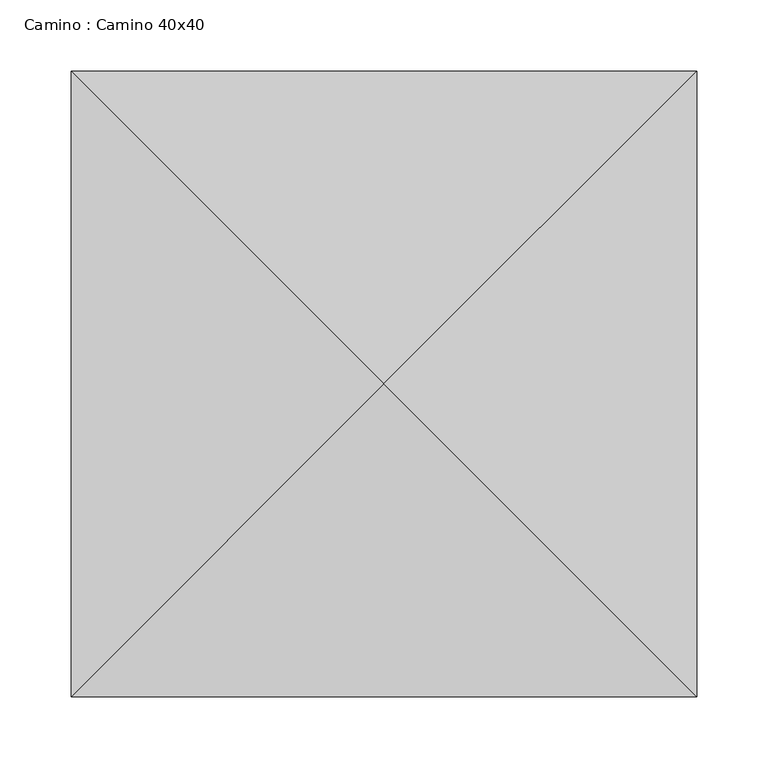
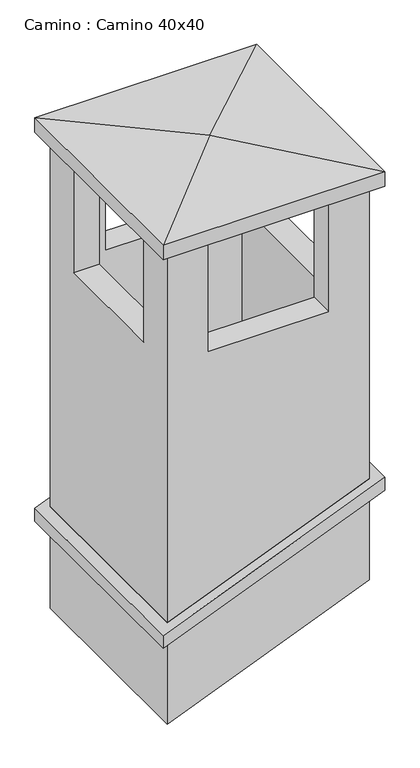
"""IFC4 building model written with IfcOpenShell, lengths in millimetres: proxy geometry, Camino : Camino 40x40."""

import ifcopenshell
import ifcopenshell.guid

model = None  # the IFC model being written
_history = None  # IfcOwnerHistory: only IFC2X3 demands one
_inside = {}  # id of a spatial element -> (the spatial element, [elements in it])
_under = {}  # id of a project, library or spatial element -> (it, [spatial elements below it])
_declared = {}  # id of a project -> (the project, [libraries it declares])
_typed = {}  # id of a type object -> (the type object, [elements of that type])
_made_of = {}  # id of a material, layer set ... -> (it, [elements and type objects made of it])


def new_model(schema):
    """Start an empty IFC model of exactly this schema.

    Asked for "IFC4X3", IfcOpenShell would pick the latest addendum, in which some entities
    have other attributes; the version numbers below select the first issue.
    IFC2X3 requires an IfcOwnerHistory on every rooted entity: one is made here for all.
    """
    global model, _history
    if schema == "IFC4X3":
        model = ifcopenshell.file(schema_version=(4, 3, 0, 0))
    else:
        model = ifcopenshell.file(schema=schema)
    _inside.clear()
    _under.clear()
    _declared.clear()
    _typed.clear()
    _made_of.clear()
    _history = None
    if model.schema == "IFC2X3":
        org = make("IfcOrganization", Name="unknown")
        user = make(
            "IfcPersonAndOrganization",
            ThePerson=make("IfcPerson", FamilyName="unknown"),
            TheOrganization=org,
        )
        app = make(
            "IfcApplication",
            ApplicationDeveloper=org,
            Version="unknown",
            ApplicationFullName="unknown",
            ApplicationIdentifier="unknown",
        )
        _history = make(
            "IfcOwnerHistory",
            OwningUser=user,
            OwningApplication=app,
            ChangeAction="ADDED",
            CreationDate=0,
        )
    return model


def make(cls, **values):
    """One entity of the class cls with the attributes given. An attribute that is None is left unset."""
    return model.create_entity(
        cls, **{name: value for name, value in values.items() if value is not None}
    )


def rooted(cls, **values):
    """An entity with a GlobalId (a new one), such as an element, a storey or a relation."""
    return make(cls, GlobalId=ifcopenshell.guid.new(), OwnerHistory=_history, **values)


def si_unit(unit_type, name, prefix=None):
    """IfcSIUnit, for example si_unit("LENGTHUNIT", "METRE", prefix="MILLI")."""
    return make("IfcSIUnit", UnitType=unit_type, Prefix=prefix, Name=name)


def assignment(units):
    """IfcUnitAssignment: the units of a project."""
    return None if units is None else make("IfcUnitAssignment", Units=units)


def point(xyz):
    """IfcCartesianPoint."""
    return None if xyz is None else make("IfcCartesianPoint", Coordinates=xyz)


def direction(xyz):
    """IfcDirection."""
    return None if xyz is None else make("IfcDirection", DirectionRatios=xyz)


def frame(location, z_axis=None, x_axis=None):
    """IfcAxis2Placement3D, a coordinate frame: its origin and axes. An axis left out is left unset."""
    return make(
        "IfcAxis2Placement3D",
        Location=point(location),
        Axis=direction(z_axis),
        RefDirection=direction(x_axis),
    )


def origin():
    """The frame at (0, 0, 0) with its axes left unset."""
    return frame((0.0, 0.0, 0.0))


def place(relative_to, where):
    """IfcLocalPlacement: puts the frame where relative to a parent placement (None: the world)."""
    return make(
        "IfcLocalPlacement", PlacementRelTo=relative_to, RelativePlacement=where
    )


def context(
    kind, dimensions, precision=None, world=None, true_north=None, identifier=None
):
    """IfcGeometricRepresentationContext, for example the 3D "Model" context."""
    return make(
        "IfcGeometricRepresentationContext",
        ContextIdentifier=identifier,
        ContextType=kind,
        CoordinateSpaceDimension=dimensions,
        Precision=precision,
        WorldCoordinateSystem=world,
        TrueNorth=true_north,
    )


def project(units=None, contexts=None):
    """IfcProject with its units and contexts."""
    return rooted(
        "IfcProject",
        Name="project",
        RepresentationContexts=contexts,
        UnitsInContext=assignment(units),
    )


def spatial(cls, under=None, at=None, **own):
    """A site, building, storey or space (cls), placed at a placement, below another one or the project."""
    s = rooted(cls, ObjectPlacement=at, **own)
    if under is not None:
        _under.setdefault(under.id(), (under, []))[1].append(s)
    return s


def faces_of(points, faces, orient=None, outer=None):
    """IfcFace entities. A face is a list of loops; a loop is a list of indices into points, from 0.

    orient and outer hold one flag for each loop. By default every Orientation is true, the
    first loop of a face is its IfcFaceOuterBound and the others are IfcFaceBound.
    """
    made = []
    for i, loops in enumerate(faces):
        bounds = []
        for j, loop in enumerate(loops):
            is_outer = j == 0 if outer is None else outer[i][j]
            bounds.append(
                make(
                    "IfcFaceOuterBound" if is_outer else "IfcFaceBound",
                    Bound=make("IfcPolyLoop", Polygon=[points[k] for k in loop]),
                    Orientation=True if orient is None else orient[i][j],
                )
            )
        made.append(make("IfcFace", Bounds=bounds))
    return made


def faceted_brep(points, faces, orient=None, outer=None, voids=None):
    """IfcFacetedBrep: a solid bounded by flat faces; with voids (closed shells), ...WithVoids."""
    shared = [point(p) for p in points]
    hull = make("IfcClosedShell", CfsFaces=faces_of(shared, faces, orient, outer))
    if voids is None:
        return make("IfcFacetedBrep", Outer=hull)
    return make(
        "IfcFacetedBrepWithVoids",
        Outer=hull,
        Voids=[
            make(cls, CfsFaces=faces_of(shared, fs, o, b)) for cls, fs, o, b in voids
        ],
    )


def shape(context_of_items, identifier, shape_type, items):
    """IfcShapeRepresentation: the items that make up one representation, for example the "Body"."""
    return make(
        "IfcShapeRepresentation",
        ContextOfItems=context_of_items,
        RepresentationIdentifier=identifier,
        RepresentationType=shape_type,
        Items=items,
    )


def source(mapping_origin, context_of_items, identifier, shape_type, items):
    """IfcRepresentationMap: a shape defined once, which mapped items show again and again."""
    return make(
        "IfcRepresentationMap",
        MappingOrigin=mapping_origin,
        MappedRepresentation=shape(context_of_items, identifier, shape_type, items),
    )


def transform(
    local_origin,
    x_axis=None,
    y_axis=None,
    z_axis=None,
    scale=None,
    scale2=None,
    scale3=None,
    uniform=True,
):
    """IfcCartesianTransformationOperator3D, or its non-uniform kind. x_axis, y_axis, z_axis: its Axis1, 2, 3."""
    if uniform:
        return make(
            "IfcCartesianTransformationOperator3D",
            Axis1=direction(x_axis),
            Axis2=direction(y_axis),
            LocalOrigin=point(local_origin),
            Scale=scale,
            Axis3=direction(z_axis),
        )
    return make(
        "IfcCartesianTransformationOperator3DnonUniform",
        Axis1=direction(x_axis),
        Axis2=direction(y_axis),
        LocalOrigin=point(local_origin),
        Scale=scale,
        Axis3=direction(z_axis),
        Scale2=scale2,
        Scale3=scale3,
    )


def mapped(mapping_source, mapping_target):
    """IfcMappedItem: shows the shape of a source again, moved by a transform."""
    return make(
        "IfcMappedItem", MappingSource=mapping_source, MappingTarget=mapping_target
    )


def made_of(thing, what):
    """Note that an element or type object is made of a material, layer set ...; save() writes the relation."""
    if what is not None:
        _made_of.setdefault(what.id(), (what, []))[1].append(thing)
    return thing


def element(
    cls,
    number,
    at=None,
    inside=None,
    cuts=None,
    type_object=None,
    material=None,
    context=None,
    identifier="Body",
    shape_type=None,
    held_by="IfcProductDefinitionShape",
    body=None,
    shapes=None,
    **own,
):
    """One element of the class cls, such as IfcWall. Its Tag is "e" and its number.

    at: its placement. inside: the storey or other place that contains it. cuts: it is an
    opening in that element (IfcRelVoidsElement). A single representation is given by context,
    identifier, shape_type and body (its items); several are given by shapes. held_by: the class
    of the entity that holds the representations. save() writes the other relations.
    """
    e = rooted(cls, Tag="e%d" % number, ObjectPlacement=at, **own)
    if body is not None:
        shapes = [shape(context, identifier, shape_type, body)]
    if shapes is not None:
        e.Representation = make(held_by, Representations=shapes)
    if inside is not None:
        _inside.setdefault(inside.id(), (inside, []))[1].append(e)
    if cuts is not None:
        rooted(
            "IfcRelVoidsElement", RelatingBuildingElement=cuts, RelatedOpeningElement=e
        )
    if type_object is not None:
        _typed.setdefault(type_object.id(), (type_object, []))[1].append(e)
    return made_of(e, material)


def aggregate(whole, parts):
    """IfcRelAggregates: a whole, such as a stair, and the parts it consists of."""
    return rooted("IfcRelAggregates", RelatingObject=whole, RelatedObjects=parts)


def save(model, path):
    """Write the relations noted so far, then the file.

    IfcRelAggregates (storeys below a building ...), IfcRelContainedInSpatialStructure (elements
    in a storey), IfcRelDefinesByType, IfcRelAssociatesMaterial and IfcRelDeclares: one each for
    every whole, place, type object, material and project.
    """
    for whole, parts in _under.values():
        aggregate(whole, parts)
    for where, things in _inside.values():
        rooted(
            "IfcRelContainedInSpatialStructure",
            RelatedElements=things,
            RelatingStructure=where,
        )
    for kind, things in _typed.values():
        rooted("IfcRelDefinesByType", RelatedObjects=things, RelatingType=kind)
    for what, things in _made_of.values():
        rooted("IfcRelAssociatesMaterial", RelatedObjects=things, RelatingMaterial=what)
    for by, libraries in _declared.values():
        rooted("IfcRelDeclares", RelatingContext=by, RelatedDefinitions=libraries)
    model.write(path)


def camino_camino_40x40_5ac8ecee(model_context):
    return source(origin(), model_context, "Body", "Brep", [
        faceted_brep([(219.5356454, -219.5356454, 4375.6615268), (-219.5356454, -219.5356454, 4198.2652103), (-219.5356454, -219.5356454, 4171.3018418), (219.5356454, -219.5356454, 4348.6981582), (219.5356454, 219.5356454, 4375.6615268), (219.5356454, 219.5356454, 4348.6981582), (-219.5356454, 219.5356454, 4171.3018418), (-219.5356454, 219.5356454, 4198.2652103), (-200.0, 200.0, 4206.1581234), (200.0, 200.0, 4367.7686137), (200.0, -200.0, 4367.7686137), (-200.0, -200.0, 4206.1581234), (200.0, 200.0, 4340.8052452), (-200.0, 200.0, 4179.1947548), (-200.0, -200.0, 4179.1947548), (200.0, -200.0, 4340.8052452)], [[[0, 1, 2, 3]], [[4, 5, 6, 7]], [[1, 0, 4, 7], [8, 9, 10, 11]], [[2, 1, 7, 6]], [[3, 2, 6, 5], [12, 13, 14, 15]], [[0, 3, 5, 4]], [[12, 9, 8, 13]], [[13, 8, 11, 14]], [[14, 11, 10, 15]], [[9, 12, 15, 10]]]),
        faceted_brep([(200.0, 200.0, 4155.8052452), (-200.0, 200.0, 3994.1947548), (-200.0, 200.0, 4206.1581234), (200.0, 200.0, 4367.7686137), (-200.0, -200.0, 3994.1947548), (-200.0, -200.0, 4206.1581234), (200.0, -200.0, 4155.8052452), (200.0, -200.0, 4367.7686137), (150.0, 150.0, 4135.6039339), (150.0, -150.0, 4135.6039339), (150.0, -150.0, 4347.5673024), (150.0, 150.0, 4347.5673024), (-150.0, -150.0, 4014.3960661), (-150.0, -150.0, 4226.3594347), (-150.0, 150.0, 4014.3960661), (-150.0, 150.0, 4226.3594347)], [[[0, 1, 2, 3]], [[1, 4, 5, 2]], [[4, 6, 7, 5]], [[6, 0, 3, 7]], [[8, 9, 10, 11]], [[9, 12, 13, 10]], [[12, 14, 15, 13]], [[14, 8, 11, 15]], [[1, 0, 6, 4], [9, 8, 14, 12]], [[3, 2, 5, 7], [11, 10, 13, 15]]]),
        faceted_brep([(219.5356454, -219.5356454, 4985.0), (219.5356454, -219.5356454, 5015.0), (-219.5356454, -219.5356454, 5015.0), (-219.5356454, -219.5356454, 4985.0), (219.5356454, 219.5356454, 4985.0), (-219.5356454, 219.5356454, 4985.0), (-219.5356454, 219.5356454, 5015.0), (219.5356454, 219.5356454, 5015.0), (0.0, 0.0, 5035.0)], [[[0, 1, 2, 3]], [[4, 5, 6, 7]], [[1, 0, 4, 7]], [[1, 7, 8]], [[6, 2, 8]], [[3, 2, 6, 5]], [[0, 3, 5, 4]], [[2, 1, 8]], [[7, 6, 8]]]),
        faceted_brep([(-120.0, 200.0, 4985.0), (-200.0, 200.0, 4985.0), (-200.0, 120.0, 4985.0), (-150.0, 120.0, 4985.0), (-150.0, 150.0, 4985.0), (-120.0, 150.0, 4985.0), (200.0, 200.0, 4985.0), (120.0, 200.0, 4985.0), (120.0, 150.0, 4985.0), (150.0, 150.0, 4985.0), (150.0, 120.0, 4985.0), (200.0, 120.0, 4985.0), (-200.0, -200.0, 4985.0), (-120.0, -200.0, 4985.0), (-120.0, -150.0, 4985.0), (-150.0, -150.0, 4985.0), (-150.0, -120.0, 4985.0), (-200.0, -120.0, 4985.0), (120.0, -200.0, 4985.0), (200.0, -200.0, 4985.0), (200.0, -120.0, 4985.0), (150.0, -120.0, 4985.0), (150.0, -150.0, 4985.0), (120.0, -150.0, 4985.0), (-120.0, 200.0, 4745.0), (120.0, 200.0, 4745.0), (200.0, 200.0, 4340.8052452), (-200.0, 200.0, 4179.1947548), (-200.0, -120.0, 4745.0), (-200.0, 120.0, 4745.0), (-200.0, -200.0, 4179.1947548), (200.0, -200.0, 4340.8052452), (120.0, -200.0, 4745.0), (-120.0, -200.0, 4745.0), (200.0, 120.0, 4745.0), (200.0, -120.0, 4745.0), (150.0, -120.0, 4745.0), (150.0, 120.0, 4745.0), (150.0, 150.0, 4320.6039339), (150.0, -150.0, 4320.6039339), (-120.0, -150.0, 4745.0), (120.0, -150.0, 4745.0), (-150.0, -150.0, 4199.3960661), (-150.0, 150.0, 4199.3960661), (-150.0, 120.0, 4745.0), (-150.0, -120.0, 4745.0), (120.0, 150.0, 4745.0), (-120.0, 150.0, 4745.0)], [[[0, 1, 2, 3, 4, 5]], [[6, 7, 8, 9, 10, 11]], [[12, 13, 14, 15, 16, 17]], [[18, 19, 20, 21, 22, 23]], [[1, 0, 24, 25, 7, 6, 26, 27]], [[12, 17, 28, 29, 2, 1, 27, 30]], [[13, 12, 30, 31, 19, 18, 32, 33]], [[20, 19, 31, 26, 6, 11, 34, 35]], [[22, 21, 36, 37, 10, 9, 38, 39]], [[15, 14, 40, 41, 23, 22, 39, 42]], [[16, 15, 42, 43, 4, 3, 44, 45]], [[5, 4, 43, 38, 9, 8, 46, 47]], [[33, 40, 14, 13]], [[47, 24, 0, 5]], [[40, 33, 32, 41]], [[24, 47, 46, 25]], [[41, 32, 18, 23]], [[25, 46, 8, 7]], [[35, 36, 21, 20]], [[45, 28, 17, 16]], [[36, 35, 34, 37]], [[28, 45, 44, 29]], [[37, 34, 11, 10]], [[29, 44, 3, 2]], [[27, 26, 31, 30], [39, 38, 43, 42]]]),
    ])


if __name__ == "__main__":
    model = new_model("IFC4")
    model_context = context("Model", 3, world=origin())
    ifc_project = project(units=[si_unit("LENGTHUNIT", "METRE", prefix="MILLI")], contexts=[model_context])
    site = spatial("IfcSite", under=ifc_project)
    building = spatial("IfcBuilding", under=site)
    placement = place(None, origin())
    camino_camino_40x40_shape = camino_camino_40x40_5ac8ecee(model_context)
    element("IfcBuildingElementProxy", 1, Name="Camino : Camino 40x40", ObjectType="Camino : Camino 40x40", at=placement, inside=building, context=model_context, shape_type="MappedRepresentation", body=[
        mapped(camino_camino_40x40_shape, transform((0.0, 0.0, 0.0), x_axis=(1.0, 0.0, 0.0), y_axis=(0.0, 1.0, 0.0), z_axis=(0.0, 0.0, 1.0))),
    ])
    save(model, "model.ifc")
